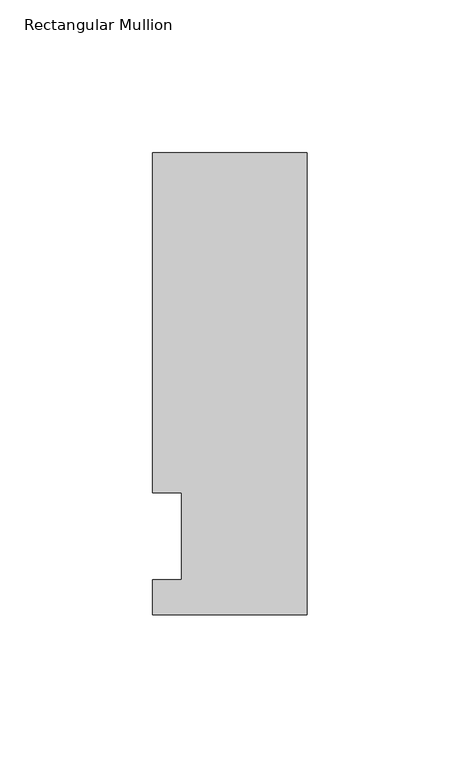
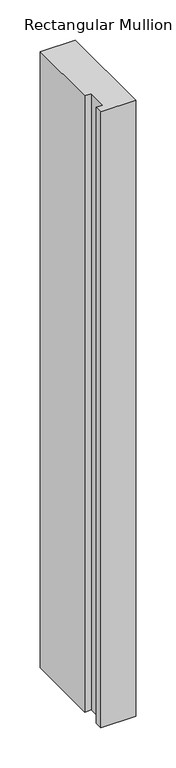
"""IFC4 building model written with IfcOpenShell, lengths in millimetres: member geometry, Rectangular Mullion."""

from ifc_helpers import new_model, si_unit, frame, origin, place, context, project, spatial, polyline, outline, extrude, source, transform, mapped, element, save


def rectangular_mullion_0112f04a(model_context):
    return source(origin(), model_context, "Body", "SweptSolid", [
        extrude(outline(polyline([(-50.8, -25.7961253), (-50.8, -14.2875), (-41.275, -14.2875), (-41.275, 14.2875), (-50.8, 14.2875), (-50.8, 125.8036906), (0.0, 125.8036906), (0.0, -25.7961253), (-50.8, -25.7961253)])), frame((0.0, 0.0, -939.8), z_axis=(0.0, 0.0, 1.0), x_axis=(1.0, 0.0, 0.0)), (0.0, 0.0, 1.0), 939.8),
    ])


if __name__ == "__main__":
    model = new_model("IFC4")
    model_context = context("Model", 3, world=origin())
    ifc_project = project(units=[si_unit("LENGTHUNIT", "METRE", prefix="MILLI")], contexts=[model_context])
    site = spatial("IfcSite", under=ifc_project)
    building = spatial("IfcBuilding", under=site)
    placement = place(None, origin())
    rectangular_mullion_shape = rectangular_mullion_0112f04a(model_context)
    element("IfcMember", 1, ObjectType="Rectangular Mullion", at=placement, inside=building, context=model_context, shape_type="MappedRepresentation", body=[
        mapped(rectangular_mullion_shape, transform((0.0, 0.0, 0.0), x_axis=(1.0, 0.0, 0.0), y_axis=(0.0, 1.0, 0.0), z_axis=(0.0, 0.0, 1.0))),
    ])
    save(model, "model.ifc")
